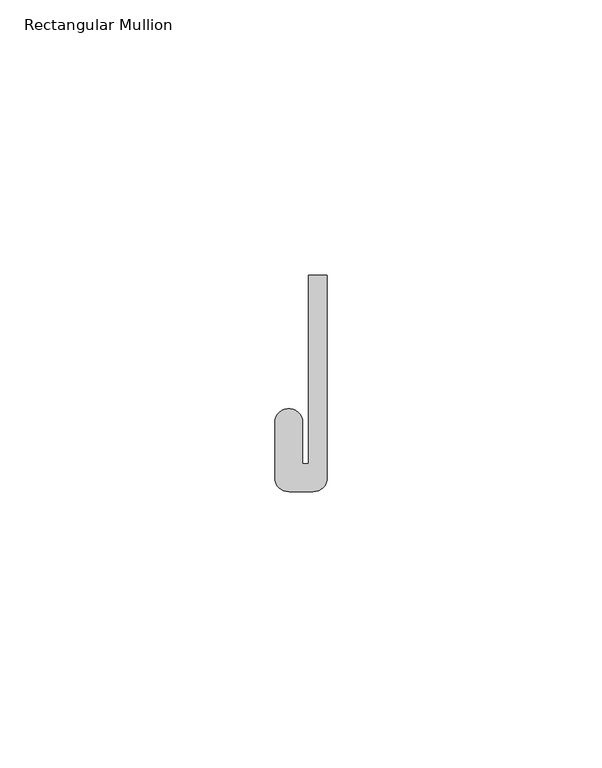
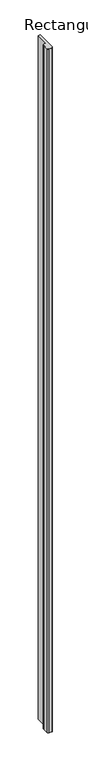
"""IFC4 building model written with IfcOpenShell, lengths in millimetres: member geometry, Rectangular Mullion."""

from ifc_helpers import new_model, si_unit, point, frame, frame_2d, origin, place, context, project, spatial, polyline, circle_curve, trimmed, segment, composite_curve, outline, extrude, source, transform, mapped, element, save


def rectangular_mullion_707b4951(model_context):
    return source(origin(), model_context, "Body", "SweptSolid", [
        extrude(outline(composite_curve([segment(polyline([(-1.651, -33.918525), (-1.651, 0.396875), (1.778, 0.396875), (1.778, -36.458525)]), True, "CONTINUOUS"), segment(trimmed(circle_curve(frame_2d((-0.762, -36.458525)), 2.54), [point((1.778, -36.458525))], [point((-0.762, -38.998525))], False, "CARTESIAN"), True, "CONTINUOUS"), segment(polyline([(-0.762, -38.998525), (-5.207, -38.998525)]), True, "CONTINUOUS"), segment(trimmed(circle_curve(frame_2d((-5.207, -36.458525)), 2.54), [point((-5.207, -38.998525))], [point((-7.747, -36.458525))], False, "CARTESIAN"), True, "CONTINUOUS"), segment(polyline([(-7.747, -36.458525), (-7.747, -26.425525)]), True, "CONTINUOUS"), segment(trimmed(circle_curve(frame_2d((-5.207, -26.425525)), 2.54), [point((-7.747, -26.425525))], [point((-2.667, -26.425525))], False, "CARTESIAN"), True, "CONTINUOUS"), segment(polyline([(-2.667, -26.425525), (-2.667, -33.918525), (-1.651, -33.918525)]), True, "CONTINUOUS")], self_intersect=False)), frame((0.0, 0.0, -1285.875), z_axis=(0.0, 0.0, 1.0), x_axis=(1.0, 0.0, 0.0)), (0.0, 0.0, 1.0), 1285.875),
    ])


if __name__ == "__main__":
    model = new_model("IFC4")
    model_context = context("Model", 3, world=origin())
    ifc_project = project(units=[si_unit("LENGTHUNIT", "METRE", prefix="MILLI")], contexts=[model_context])
    site = spatial("IfcSite", under=ifc_project)
    building = spatial("IfcBuilding", under=site)
    placement = place(None, origin())
    rectangular_mullion_shape = rectangular_mullion_707b4951(model_context)
    element("IfcMember", 1, ObjectType="Rectangular Mullion", at=placement, inside=building, context=model_context, shape_type="MappedRepresentation", body=[
        mapped(rectangular_mullion_shape, transform((0.0, 0.0, 0.0), x_axis=(1.0, 0.0, 0.0), y_axis=(0.0, 1.0, 0.0), z_axis=(0.0, 0.0, 1.0))),
    ])
    save(model, "model.ifc")
